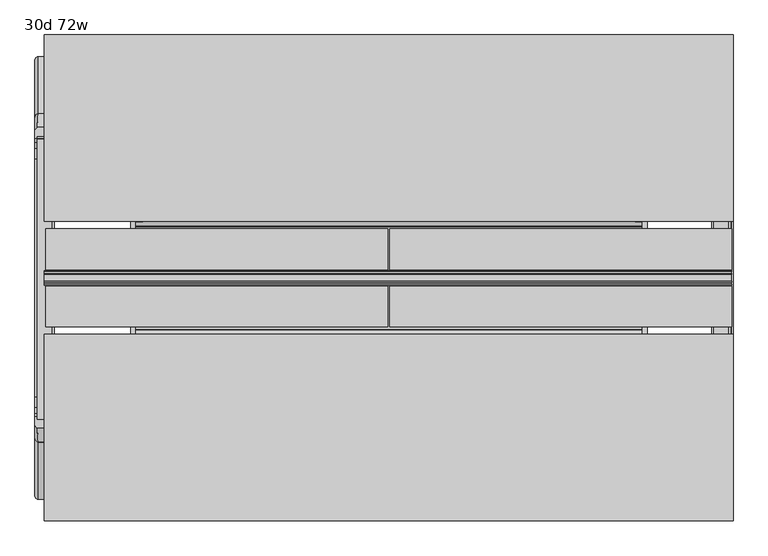
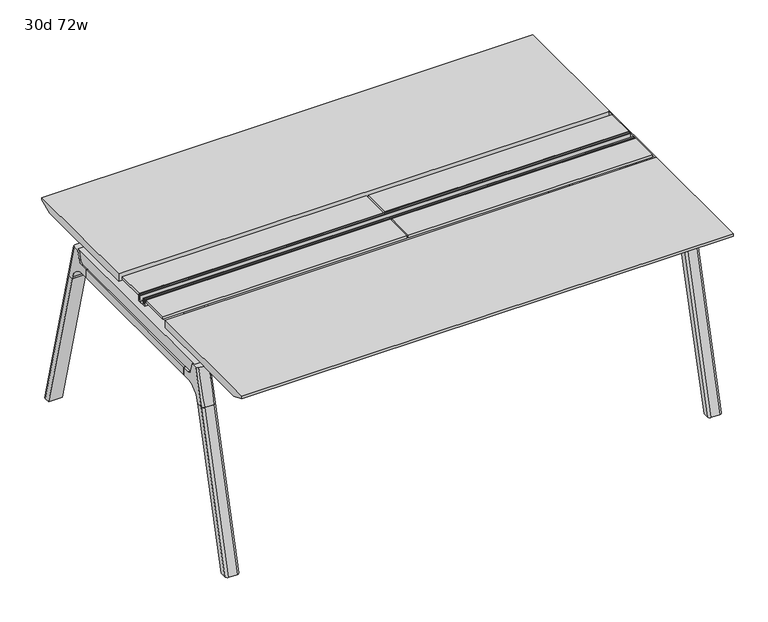
"""IFC4 building model written with IfcOpenShell, lengths in millimetres: furniture geometry, 30d 72w."""

import ifcopenshell
import ifcopenshell.guid

model = None  # the IFC model being written
_history = None  # IfcOwnerHistory: only IFC2X3 demands one
_inside = {}  # id of a spatial element -> (the spatial element, [elements in it])
_under = {}  # id of a project, library or spatial element -> (it, [spatial elements below it])
_declared = {}  # id of a project -> (the project, [libraries it declares])
_typed = {}  # id of a type object -> (the type object, [elements of that type])
_made_of = {}  # id of a material, layer set ... -> (it, [elements and type objects made of it])


def new_model(schema):
    """Start an empty IFC model of exactly this schema.

    Asked for "IFC4X3", IfcOpenShell would pick the latest addendum, in which some entities
    have other attributes; the version numbers below select the first issue.
    IFC2X3 requires an IfcOwnerHistory on every rooted entity: one is made here for all.
    """
    global model, _history
    if schema == "IFC4X3":
        model = ifcopenshell.file(schema_version=(4, 3, 0, 0))
    else:
        model = ifcopenshell.file(schema=schema)
    _inside.clear()
    _under.clear()
    _declared.clear()
    _typed.clear()
    _made_of.clear()
    _history = None
    if model.schema == "IFC2X3":
        org = make("IfcOrganization", Name="unknown")
        user = make(
            "IfcPersonAndOrganization",
            ThePerson=make("IfcPerson", FamilyName="unknown"),
            TheOrganization=org,
        )
        app = make(
            "IfcApplication",
            ApplicationDeveloper=org,
            Version="unknown",
            ApplicationFullName="unknown",
            ApplicationIdentifier="unknown",
        )
        _history = make(
            "IfcOwnerHistory",
            OwningUser=user,
            OwningApplication=app,
            ChangeAction="ADDED",
            CreationDate=0,
        )
    return model


def make(cls, **values):
    """One entity of the class cls with the attributes given. An attribute that is None is left unset."""
    return model.create_entity(
        cls, **{name: value for name, value in values.items() if value is not None}
    )


def rooted(cls, **values):
    """An entity with a GlobalId (a new one), such as an element, a storey or a relation."""
    return make(cls, GlobalId=ifcopenshell.guid.new(), OwnerHistory=_history, **values)


def si_unit(unit_type, name, prefix=None):
    """IfcSIUnit, for example si_unit("LENGTHUNIT", "METRE", prefix="MILLI")."""
    return make("IfcSIUnit", UnitType=unit_type, Prefix=prefix, Name=name)


def assignment(units):
    """IfcUnitAssignment: the units of a project."""
    return None if units is None else make("IfcUnitAssignment", Units=units)


def point(xyz):
    """IfcCartesianPoint."""
    return None if xyz is None else make("IfcCartesianPoint", Coordinates=xyz)


def direction(xyz):
    """IfcDirection."""
    return None if xyz is None else make("IfcDirection", DirectionRatios=xyz)


def frame(location, z_axis=None, x_axis=None):
    """IfcAxis2Placement3D, a coordinate frame: its origin and axes. An axis left out is left unset."""
    return make(
        "IfcAxis2Placement3D",
        Location=point(location),
        Axis=direction(z_axis),
        RefDirection=direction(x_axis),
    )


def frame_2d(location, x_axis=None):
    """IfcAxis2Placement2D, a coordinate frame in the plane: its origin and x axis."""
    return make(
        "IfcAxis2Placement2D", Location=point(location), RefDirection=direction(x_axis)
    )


def origin():
    """The frame at (0, 0, 0) with its axes left unset."""
    return frame((0.0, 0.0, 0.0))


def place(relative_to, where):
    """IfcLocalPlacement: puts the frame where relative to a parent placement (None: the world)."""
    return make(
        "IfcLocalPlacement", PlacementRelTo=relative_to, RelativePlacement=where
    )


def context(
    kind, dimensions, precision=None, world=None, true_north=None, identifier=None
):
    """IfcGeometricRepresentationContext, for example the 3D "Model" context."""
    return make(
        "IfcGeometricRepresentationContext",
        ContextIdentifier=identifier,
        ContextType=kind,
        CoordinateSpaceDimension=dimensions,
        Precision=precision,
        WorldCoordinateSystem=world,
        TrueNorth=true_north,
    )


def project(units=None, contexts=None):
    """IfcProject with its units and contexts."""
    return rooted(
        "IfcProject",
        Name="project",
        RepresentationContexts=contexts,
        UnitsInContext=assignment(units),
    )


def spatial(cls, under=None, at=None, **own):
    """A site, building, storey or space (cls), placed at a placement, below another one or the project."""
    s = rooted(cls, ObjectPlacement=at, **own)
    if under is not None:
        _under.setdefault(under.id(), (under, []))[1].append(s)
    return s


def polyline(points):
    """IfcPolyline through the points."""
    return make("IfcPolyline", Points=[point(p) for p in points])


def circle_curve(where, radius):
    """IfcCircle in the frame where."""
    return make("IfcCircle", Position=where, Radius=radius)


def ellipse_curve(where, semi_axis1, semi_axis2):
    """IfcEllipse in the frame where."""
    return make(
        "IfcEllipse", Position=where, SemiAxis1=semi_axis1, SemiAxis2=semi_axis2
    )


def trimmed(basis, trim1, trim2, sense, master):
    """IfcTrimmedCurve: the piece of a basis curve between two trims."""
    return make(
        "IfcTrimmedCurve",
        BasisCurve=basis,
        Trim1=trim1,
        Trim2=trim2,
        SenseAgreement=sense,
        MasterRepresentation=master,
    )


def segment(curve, same_sense, transition):
    """IfcCompositeCurveSegment."""
    return make(
        "IfcCompositeCurveSegment",
        Transition=transition,
        SameSense=same_sense,
        ParentCurve=curve,
    )


def composite_curve(segments, self_intersect=None):
    """IfcCompositeCurve: segments joined end to end."""
    return make("IfcCompositeCurve", Segments=segments, SelfIntersect=self_intersect)


def outline(outer, holes=None, kind="AREA"):
    """IfcArbitraryClosedProfileDef: a profile drawn as a closed curve; with holes, ...WithVoids."""
    if holes is None:
        return make("IfcArbitraryClosedProfileDef", ProfileType=kind, OuterCurve=outer)
    return make(
        "IfcArbitraryProfileDefWithVoids",
        ProfileType=kind,
        OuterCurve=outer,
        InnerCurves=holes,
    )


def extrude(swept, where, along, depth):
    """IfcExtrudedAreaSolid: the profile swept, set in the frame where, extruded along a direction by depth."""
    return make(
        "IfcExtrudedAreaSolid",
        SweptArea=swept,
        Position=where,
        ExtrudedDirection=direction(along),
        Depth=depth,
    )


def shape(context_of_items, identifier, shape_type, items):
    """IfcShapeRepresentation: the items that make up one representation, for example the "Body"."""
    return make(
        "IfcShapeRepresentation",
        ContextOfItems=context_of_items,
        RepresentationIdentifier=identifier,
        RepresentationType=shape_type,
        Items=items,
    )


def source(mapping_origin, context_of_items, identifier, shape_type, items):
    """IfcRepresentationMap: a shape defined once, which mapped items show again and again."""
    return make(
        "IfcRepresentationMap",
        MappingOrigin=mapping_origin,
        MappedRepresentation=shape(context_of_items, identifier, shape_type, items),
    )


def transform(
    local_origin,
    x_axis=None,
    y_axis=None,
    z_axis=None,
    scale=None,
    scale2=None,
    scale3=None,
    uniform=True,
):
    """IfcCartesianTransformationOperator3D, or its non-uniform kind. x_axis, y_axis, z_axis: its Axis1, 2, 3."""
    if uniform:
        return make(
            "IfcCartesianTransformationOperator3D",
            Axis1=direction(x_axis),
            Axis2=direction(y_axis),
            LocalOrigin=point(local_origin),
            Scale=scale,
            Axis3=direction(z_axis),
        )
    return make(
        "IfcCartesianTransformationOperator3DnonUniform",
        Axis1=direction(x_axis),
        Axis2=direction(y_axis),
        LocalOrigin=point(local_origin),
        Scale=scale,
        Axis3=direction(z_axis),
        Scale2=scale2,
        Scale3=scale3,
    )


def mapped(mapping_source, mapping_target):
    """IfcMappedItem: shows the shape of a source again, moved by a transform."""
    return make(
        "IfcMappedItem", MappingSource=mapping_source, MappingTarget=mapping_target
    )


def made_of(thing, what):
    """Note that an element or type object is made of a material, layer set ...; save() writes the relation."""
    if what is not None:
        _made_of.setdefault(what.id(), (what, []))[1].append(thing)
    return thing


def element(
    cls,
    number,
    at=None,
    inside=None,
    cuts=None,
    type_object=None,
    material=None,
    context=None,
    identifier="Body",
    shape_type=None,
    held_by="IfcProductDefinitionShape",
    body=None,
    shapes=None,
    **own,
):
    """One element of the class cls, such as IfcWall. Its Tag is "e" and its number.

    at: its placement. inside: the storey or other place that contains it. cuts: it is an
    opening in that element (IfcRelVoidsElement). A single representation is given by context,
    identifier, shape_type and body (its items); several are given by shapes. held_by: the class
    of the entity that holds the representations. save() writes the other relations.
    """
    e = rooted(cls, Tag="e%d" % number, ObjectPlacement=at, **own)
    if body is not None:
        shapes = [shape(context, identifier, shape_type, body)]
    if shapes is not None:
        e.Representation = make(held_by, Representations=shapes)
    if inside is not None:
        _inside.setdefault(inside.id(), (inside, []))[1].append(e)
    if cuts is not None:
        rooted(
            "IfcRelVoidsElement", RelatingBuildingElement=cuts, RelatedOpeningElement=e
        )
    if type_object is not None:
        _typed.setdefault(type_object.id(), (type_object, []))[1].append(e)
    return made_of(e, material)


def aggregate(whole, parts):
    """IfcRelAggregates: a whole, such as a stair, and the parts it consists of."""
    return rooted("IfcRelAggregates", RelatingObject=whole, RelatedObjects=parts)


def save(model, path):
    """Write the relations noted so far, then the file.

    IfcRelAggregates (storeys below a building ...), IfcRelContainedInSpatialStructure (elements
    in a storey), IfcRelDefinesByType, IfcRelAssociatesMaterial and IfcRelDeclares: one each for
    every whole, place, type object, material and project.
    """
    for whole, parts in _under.values():
        aggregate(whole, parts)
    for where, things in _inside.values():
        rooted(
            "IfcRelContainedInSpatialStructure",
            RelatedElements=things,
            RelatingStructure=where,
        )
    for kind, things in _typed.values():
        rooted("IfcRelDefinesByType", RelatedObjects=things, RelatingType=kind)
    for what, things in _made_of.values():
        rooted("IfcRelAssociatesMaterial", RelatedObjects=things, RelatingMaterial=what)
    for by, libraries in _declared.values():
        rooted("IfcRelDeclares", RelatingContext=by, RelatedDefinitions=libraries)
    model.write(path)


def plane_surface(at):
    """IfcPlane: the flat surface through the origin of the frame at, square to its z axis."""
    return make("IfcPlane", Position=at)


def cylinder_surface(at, radius):
    """IfcCylindricalSurface: all points at the distance radius from the z axis of the frame at."""
    return make("IfcCylindricalSurface", Position=at, Radius=radius)


def revolved_surface(curve, axis_point, axis_direction):
    """IfcSurfaceOfRevolution: the curve turned about the line through axis_point along axis_direction."""
    return make(
        "IfcSurfaceOfRevolution",
        SweptCurve=make("IfcArbitraryOpenProfileDef", ProfileType="CURVE", Curve=curve),
        AxisPosition=make("IfcAxis1Placement", Location=point(axis_point), Axis=direction(axis_direction)),
    )


def advanced_brep(points, edges, surfaces, faces):
    """IfcAdvancedBrep: a solid bounded by faces that lie on surfaces and meet in shared edges.

    An edge is (start, end): straight between two places in points (the first is 0);
    or (start, end, curve); or (start, end, curve, False) where it runs against its curve.
    A face is (place in surfaces, loops), or (place, loops, False) where it looks against
    its surface's normal. A loop lists edges by number (the first is 1), with a minus sign
    where the edge is run from its end to its start. The first loop is the outer one.
    """
    corners = [point(p) for p in points]
    vertices = [make("IfcVertexPoint", VertexGeometry=c) for c in corners]
    made = []
    for start, end, *more in edges:
        made.append(
            make(
                "IfcEdgeCurve",
                EdgeStart=vertices[start],
                EdgeEnd=vertices[end],
                EdgeGeometry=more[0] if more else make("IfcPolyline", Points=[corners[start], corners[end]]),
                SameSense=more[1] if len(more) > 1 else True,
            )
        )
    hull = []
    for where, loops, *sense in faces:
        bounds = []
        for j, loop in enumerate(loops):
            ring = [make("IfcOrientedEdge", EdgeElement=made[abs(k) - 1], Orientation=k > 0) for k in loop]
            bounds.append(
                make(
                    "IfcFaceOuterBound" if j == 0 else "IfcFaceBound",
                    Bound=make("IfcEdgeLoop", EdgeList=ring),
                    Orientation=True,
                )
            )
        hull.append(make("IfcAdvancedFace", Bounds=bounds, FaceSurface=surfaces[where], SameSense=sense[0] if sense else True))
    return make("IfcAdvancedBrep", Outer=make("IfcClosedShell", CfsFaces=hull))


def furniture_30d_72w_e3182f1c(model_context):
    return source(origin(), model_context, "Body", "SolidModel", [
        extrude(outline(polyline([(-348.9784469, 559.4636683), (-364.040663, 627.7843353), (-35.4662901, 627.7843353), (-50.5285062, 559.4636683), (-46.7502281, 557.2647146), (-46.7502281, 549.3667827), (-62.6252238, 521.8704736), (-336.8817293, 521.8704736), (-352.756725, 549.3667827), (-352.756725, 557.2647146), (-348.9784469, 559.4636683)])), frame((889.0, 0.0, 0.0), z_axis=(1.0, 0.0, 0.0), x_axis=(0.0, 1.0, 0.0)), (0.0, 0.0, 1.0), 12.7),
        extrude(outline(polyline([(-348.9784469, 559.4636683), (-364.040663, 627.7843353), (-35.4662901, 627.7843353), (-50.5285062, 559.4636683), (-46.7502281, 557.2647146), (-46.7502281, 549.3667827), (-62.6252238, 521.8704736), (-336.8817293, 521.8704736), (-352.756725, 549.3667827), (-352.756725, 557.2647146), (-348.9784469, 559.4636683)])), frame((-469.9, 0.0, 0.0), z_axis=(1.0, 0.0, 0.0), x_axis=(0.0, 1.0, 0.0)), (0.0, 0.0, 1.0), 12.7),
        extrude(outline(polyline([(-18.0090763, 698.5), (3.7767266, 698.5), (3.7767266, 697.2935087), (-17.4495292, 697.2935087), (-19.0070753, 695.7359626), (-49.1186716, 559.1528512), (-50.5285062, 559.4636683), (-20.404074, 696.1050023), (-18.0090763, 698.5)])), frame((-469.9, 0.0, 0.0), z_axis=(1.0, 0.0, 0.0), x_axis=(0.0, 1.0, 0.0)), (0.0, 0.0, 1.0), 31.8008024),
        extrude(outline(polyline([(-381.4978768, 698.5), (-379.1028791, 696.1050023), (-348.9784469, 559.4636683), (-350.3882815, 559.1528512), (-380.4998778, 695.7359626), (-382.0574239, 697.2935087), (-403.2836797, 697.2935087), (-403.2836797, 698.5), (-381.4978768, 698.5)])), frame((-469.9, 0.0, 0.0), z_axis=(1.0, 0.0, 0.0), x_axis=(0.0, 1.0, 0.0)), (0.0, 0.0, 1.0), 31.8008024),
        extrude(outline(polyline([(-18.0090763, 698.5), (3.7767266, 698.5), (3.7767266, 697.2935087), (-17.4495292, 697.2935087), (-19.0070753, 695.7359626), (-49.1186716, 559.1528512), (-50.5285062, 559.4636683), (-20.404074, 696.1050023), (-18.0090763, 698.5)])), frame((869.8991976, 0.0, 0.0), z_axis=(1.0, 0.0, 0.0), x_axis=(0.0, 1.0, 0.0)), (0.0, 0.0, 1.0), 31.8008024),
        extrude(outline(polyline([(-381.4978768, 698.5), (-379.1028791, 696.1050023), (-348.9784469, 559.4636683), (-350.3882815, 559.1528512), (-380.4998778, 695.7359626), (-382.0574239, 697.2935087), (-403.2836797, 697.2935087), (-403.2836797, 698.5), (-381.4978768, 698.5)])), frame((869.8991976, 0.0, 0.0), z_axis=(1.0, 0.0, 0.0), x_axis=(0.0, 1.0, 0.0)), (0.0, 0.0, 1.0), 31.8008024),
        extrude(outline(polyline([(-353.550475, 557.5934966), (-351.518477, 559.6254947), (-350.957211, 559.0642287), (-352.756725, 557.2647146), (-352.756725, 549.3667827), (-352.5317745, 548.5272622), (-337.4390802, 522.3859395), (-336.0037101, 521.5572272), (-63.503243, 521.5572272), (-62.0678729, 522.3859395), (-46.9751786, 548.5272622), (-46.7502281, 549.3667827), (-46.7502281, 557.2647146), (-48.5497421, 559.0642287), (-47.9884761, 559.6254947), (-45.9564781, 557.5934966), (-45.9564781, 549.2622828), (-46.2355217, 548.2208856), (-61.4868074, 521.8048744), (-63.2905581, 520.7634772), (-336.216395, 520.7634772), (-338.0201457, 521.8048744), (-353.2714314, 548.2208856), (-353.550475, 549.2622828), (-353.550475, 557.5934966)])), frame((-469.8492037, 0.0, 0.0), z_axis=(1.0, 0.0, 0.0), x_axis=(0.0, 1.0, 0.0)), (0.0, 0.0, 1.0), 1371.5492037),
        extrude(outline(polyline([(-218.8034766, 715.9625), (-218.8034766, 741.3625), (-217.2159766, 741.3625), (-217.2159766, 720.725), (-210.8659766, 720.725), (-210.8659766, 741.3625), (-209.2784766, 741.3625), (-209.2784766, 717.55), (-190.2284766, 717.55), (-190.2284766, 741.3625), (-188.6409766, 741.3625), (-188.6409766, 720.725), (-182.2909766, 720.725), (-182.2909766, 741.3625), (-180.7034766, 741.3625), (-180.7034766, 715.9625), (-218.8034766, 715.9625)])), frame((-698.5, 0.0, 0.0), z_axis=(1.0, 0.0, 0.0), x_axis=(0.0, 1.0, 0.0)), (0.0, 0.0, 1.0), 1825.625),
        extrude(outline(composite_curve([segment(polyline([(175.6902734, 711.2), (166.6321726, 677.3947076)]), True, "CONTINUOUS"), segment(trimmed(circle_curve(frame_2d((151.2981001, 681.5034599)), 15.875), [point((166.6321726, 677.3947076))], [point((151.2981001, 665.6284599))], False, "CARTESIAN"), True, "CONTINUOUS"), segment(polyline([(151.2981001, 665.6284599), (-550.8050533, 665.6284599)]), True, "CONTINUOUS"), segment(trimmed(circle_curve(frame_2d((-550.8050533, 681.5034599)), 15.875), [point((-550.8050533, 665.6284599))], [point((-566.1391258, 677.3947076))], False, "CARTESIAN"), True, "CONTINUOUS"), segment(polyline([(-566.1391258, 677.3947076), (-575.1972266, 711.2), (175.6902734, 711.2)]), True, "CONTINUOUS")], self_intersect=False)), frame((1079.5, 0.0, 0.0), z_axis=(1.0, 0.0, 0.0), x_axis=(0.0, 1.0, 0.0)), (0.0, 0.0, 1.0), 38.1),
        extrude(outline(polyline([(1123.95, 115.3652734), (1123.95, -514.8722266), (1073.15, -514.8722266), (1073.15, 115.3652734), (1123.95, 115.3652734)])), frame((0.0, 0.0, 635.6476591), z_axis=(0.0, 0.0, 1.0), x_axis=(1.0, 0.0, 0.0)), (0.0, 0.0, 1.0), 29.9808008),
        extrude(outline(composite_curve([segment(polyline([(175.6902734, 711.2), (166.6321726, 677.3947076)]), True, "CONTINUOUS"), segment(trimmed(circle_curve(frame_2d((151.2981001, 681.5034599)), 15.875), [point((166.6321726, 677.3947076))], [point((151.2981001, 665.6284599))], False, "CARTESIAN"), True, "CONTINUOUS"), segment(polyline([(151.2981001, 665.6284599), (-550.8050533, 665.6284599)]), True, "CONTINUOUS"), segment(trimmed(circle_curve(frame_2d((-550.8050533, 681.5034599)), 15.875), [point((-550.8050533, 665.6284599))], [point((-566.1391258, 677.3947076))], False, "CARTESIAN"), True, "CONTINUOUS"), segment(polyline([(-566.1391258, 677.3947076), (-575.1972266, 711.2), (175.6902734, 711.2)]), True, "CONTINUOUS")], self_intersect=False)), frame((-717.55, 0.0, 0.0), z_axis=(1.0, 0.0, 0.0), x_axis=(0.0, 1.0, 0.0)), (0.0, 0.0, 1.0), 38.1),
        extrude(outline(polyline([(-673.1, 115.3652734), (-673.1, -514.8722266), (-723.9, -514.8722266), (-723.9, 115.3652734), (-673.1, 115.3652734)])), frame((0.0, 0.0, 635.6476591), z_axis=(0.0, 0.0, 1.0), x_axis=(1.0, 0.0, 0.0)), (0.0, 0.0, 1.0), 29.9808008),
        advanced_brep(
        [(1073.15, -568.8935553, 711.2), (1073.15, -559.8354545, 677.3947076), (1073.15, -544.501382, 665.6284599), (1073.15, -514.8722266, 665.6284599), (1073.15, -514.8722266, 635.6476591), (1073.15, -537.7434588, 635.6476591), (1073.15, -602.1465633, 586.2294189), (1073.15, -604.7047754, 576.6820411), (1073.15, -625.8087453, 576.6820411), (1073.15, -590.3601017, 711.2), (1123.95, -604.7047754, 576.6820411), (1123.95, -602.1465633, 586.2294189), (1123.95, -537.7434588, 635.6476591), (1123.95, -514.8722266, 635.6476591), (1123.95, -514.8722266, 665.6284599), (1123.95, -544.501382, 665.6284599), (1123.95, -559.8354545, 677.3947076), (1123.95, -568.8935553, 711.2), (1123.95, -590.3601017, 711.2), (1123.95, -625.8087453, 576.6820411), (1079.4138162, -599.6149462, 711.2), (1117.6861838, -599.6149462, 711.2), (1114.425, -635.6589247, 576.6820411), (1082.675, -635.6589247, 576.6820411)],
        [
            (0, 1),
            (1, 2, circle_curve(frame((1073.15, -544.501382, 681.5034599), z_axis=(1.0, 0.0, 0.0), x_axis=(0.0, -1.0, 0.0)), 15.875)),
            (2, 3),
            (3, 4),
            (4, 5),
            (5, 6, circle_curve(frame((1073.15, -537.7434588, 568.9726591), z_axis=(1.0, 0.0, 0.0), x_axis=(0.0, -1.0, 0.0)), 66.675)),
            (6, 7),
            (7, 8),
            (8, 9),
            (9, 0),
            (10, 11),
            (11, 12, circle_curve(frame((1123.95, -537.7434588, 568.9726591), z_axis=(-1.0, 0.0, 0.0), x_axis=(0.0, -1.0, 0.0)), 66.675)),
            (12, 13),
            (13, 14),
            (14, 15),
            (15, 16, circle_curve(frame((1123.95, -544.501382, 681.5034599), z_axis=(-1.0, 0.0, 0.0), x_axis=(0.0, -1.0, 0.0)), 15.875)),
            (16, 17),
            (17, 18),
            (18, 19),
            (19, 10),
            (17, 0),
            (9, 20, ellipse_curve(frame((1082.675, -590.3601017, 711.2), z_axis=(0.0, 0.0, 1.0), x_axis=(0.0, -1.0, 0.0)), 9.8501793, 9.525)),
            (20, 21),
            (21, 18, ellipse_curve(frame((1114.425, -590.3601017, 711.2), z_axis=(0.0, 0.0, 1.0), x_axis=(0.0, -1.0, 0.0)), 9.8501793, 9.525)),
            (16, 1),
            (15, 2),
            (14, 3),
            (13, 4),
            (12, 5),
            (11, 6),
            (10, 7),
            (19, 22, ellipse_curve(frame((1114.425, -625.8087453, 576.6820411), z_axis=(0.0, 0.0, -1.0), x_axis=(0.0, -1.0, 0.0)), 9.8501793, 9.525)),
            (22, 23),
            (23, 8, ellipse_curve(frame((1082.675, -625.8087453, 576.6820411), z_axis=(0.0, 0.0, -1.0), x_axis=(0.0, -1.0, 0.0)), 9.8501793, 9.525)),
            (20, 23, ellipse_curve(frame((1082.675, -39.2892106, 2802.3641142), z_axis=(0.0, -0.9659258262890684, 0.2588190451025206), x_axis=(0.0, -0.2588190451025206, -0.9659258262890684)), 2304.1956354, 9.525)),
            (22, 21, ellipse_curve(frame((1114.425, -39.2892106, 2802.3641142), z_axis=(0.0, -0.9659258262890684, 0.2588190451025206), x_axis=(0.0, -0.2588190451025206, -0.9659258262890684)), 2304.1956354, 9.525)),
        ],
        [
            plane_surface(frame((1073.15, -599.6149462, 711.2), z_axis=(-1.0, 0.0, 0.0), x_axis=(0.0, 1.0, 0.0))),
            plane_surface(frame((1123.95, -599.6149462, 711.2), z_axis=(1.0, 0.0, 0.0), x_axis=(0.0, -1.0, 0.0))),
            plane_surface(frame((1073.15, -599.6149462, 711.2), z_axis=(0.0, 0.0, 1.0), x_axis=(1.0, 0.0, 0.0))),
            plane_surface(frame((1073.15, -568.8935553, 711.2), z_axis=(0.0, 0.9659258262890683, 0.2588190451025207), x_axis=(1.0, 0.0, 0.0))),
            revolved_surface(polyline([(1123.95, -560.376382, 681.5034599), (1073.15, -560.376382, 681.5034599)]), (1123.95, -544.501382, 681.5034599), (1.0, 0.0, 0.0)),
            plane_surface(frame((1073.15, -544.501382, 665.6284599), z_axis=(0.0, 0.0, 1.0), x_axis=(1.0, 0.0, 0.0))),
            plane_surface(frame((1073.15, -514.8722266, 665.6284599), z_axis=(0.0, 1.0, 0.0), x_axis=(1.0, 0.0, 0.0))),
            plane_surface(frame((1073.15, -514.8722266, 635.6476591), z_axis=(0.0, 0.0, -1.0), x_axis=(1.0, 0.0, 0.0))),
            revolved_surface(polyline([(1123.95, -604.4184587999999, 568.9726591), (1073.15, -604.4184587999999, 568.9726591)]), (1123.95, -537.7434588, 568.9726591), (1.0, 0.0, 0.0)),
            plane_surface(frame((1073.15, -602.1465633, 586.2294189), z_axis=(0.0, 0.9659258262890693, -0.25881904510251696), x_axis=(1.0, 0.0, 0.0))),
            plane_surface(frame((1073.15, -604.7047754, 576.6820411), z_axis=(0.0, 0.0, -1.0), x_axis=(1.0, 0.0, 0.0))),
            plane_surface(frame((1073.15, -635.6589247, 576.6820411), z_axis=(0.0, -0.9659258262890684, 0.2588190451025206), x_axis=(1.0, 0.0, 0.0))),
            cylinder_surface(frame((1082.675, -778.4176402, -2.4271979), z_axis=(0.0, -0.25482392474081483, -0.966987470125486), x_axis=(1.0, 0.0, 0.0)), 9.525),
            cylinder_surface(frame((1114.425, -778.4176402, -2.4271979), z_axis=(0.0, -0.25482392474081483, -0.966987470125486), x_axis=(1.0, 0.0, 0.0)), 9.525),
        ],
        [
            (0, [[1, 2, 3, 4, 5, 6, 7, 8, 9, 10]]),
            (1, [[11, 12, 13, 14, 15, 16, 17, 18, 19, 20]]),
            (2, [[21, -10, 22, 23, 24, -18]]),
            (3, [[-1, -21, -17, 25]]),
            (4, [[-2, -25, -16, 26]]),
            (5, [[-3, -26, -15, 27]]),
            (6, [[-4, -27, -14, 28]]),
            (7, [[-5, -28, -13, 29]]),
            (8, [[-6, -29, -12, 30]]),
            (9, [[-7, -30, -11, 31]]),
            (10, [[-31, -20, 32, 33, 34, -8]]),
            (11, [[-23, 35, -33, 36]]),
            (12, [[-9, -34, -35, -22]]),
            (13, [[-19, -24, -36, -32]]),
        ],
    ),
        advanced_brep(
        [(1073.15, -604.7047754, 576.6820411), (1073.15, -756.6740466, 0.0), (1073.15, -777.7780165, 0.0), (1073.15, -625.8087453, 576.6820411), (1123.95, -756.6740466, 0.0), (1123.95, -604.7047754, 576.6820411), (1123.95, -625.8087453, 576.6820411), (1123.95, -777.7780165, 0.0), (1082.675, -635.6589247, 576.6820411), (1114.425, -635.6589247, 576.6820411), (1114.425, -787.6281958, 0.0), (1082.675, -787.6281958, 0.0)],
        [
            (0, 1),
            (1, 2),
            (2, 3),
            (3, 0),
            (4, 5),
            (5, 6),
            (6, 7),
            (7, 4),
            (5, 0),
            (3, 8, ellipse_curve(frame((1082.675, -625.8087453, 576.6820411), z_axis=(0.0, 0.0, 1.0), x_axis=(0.0, -1.0, 0.0)), 9.8501793, 9.525)),
            (8, 9),
            (9, 6, ellipse_curve(frame((1114.425, -625.8087453, 576.6820411), z_axis=(0.0, 0.0, 1.0), x_axis=(0.0, -1.0, 0.0)), 9.8501793, 9.525)),
            (4, 1),
            (7, 10, ellipse_curve(frame((1114.425, -777.7780165, 0.0), z_axis=(0.0, 0.0, -1.0), x_axis=(0.0, -1.0, 0.0)), 9.8501793, 9.525)),
            (10, 11),
            (11, 2, ellipse_curve(frame((1082.675, -777.7780165, 0.0), z_axis=(0.0, 0.0, -1.0), x_axis=(0.0, -1.0, 0.0)), 9.8501793, 9.525)),
            (8, 11),
            (10, 9),
        ],
        [
            plane_surface(frame((1073.15, -635.6589247, 576.6820411), z_axis=(-1.0, 0.0, 0.0), x_axis=(0.0, 1.0, 0.0))),
            plane_surface(frame((1123.95, -635.6589247, 576.6820411), z_axis=(1.0, 0.0, 0.0), x_axis=(0.0, -1.0, 0.0))),
            plane_surface(frame((1073.15, -635.6589247, 576.6820411), z_axis=(0.0, 0.0, 1.0), x_axis=(1.0, 0.0, 0.0))),
            plane_surface(frame((1073.15, -604.7047754, 576.6820411), z_axis=(0.0, 0.9669874701254844, -0.2548239247408208), x_axis=(1.0, 0.0, 0.0))),
            plane_surface(frame((1073.15, -756.6740466, 0.0), z_axis=(0.0, 0.0, -1.0), x_axis=(1.0, 0.0, 0.0))),
            plane_surface(frame((1073.15, -787.6281958, 0.0), z_axis=(0.0, -0.9669874701254855, 0.2548239247408166), x_axis=(1.0, 0.0, 0.0))),
            cylinder_surface(frame((1082.675, -778.4176402, -2.4271979), z_axis=(0.0, -0.25482392474081483, -0.966987470125486), x_axis=(1.0, 0.0, 0.0)), 9.525),
            cylinder_surface(frame((1114.425, -778.4176402, -2.4271979), z_axis=(0.0, -0.25482392474081483, -0.966987470125486), x_axis=(1.0, 0.0, 0.0)), 9.525),
        ],
        [
            (0, [[1, 2, 3, 4]]),
            (1, [[5, 6, 7, 8]]),
            (2, [[9, -4, 10, 11, 12, -6]]),
            (3, [[-1, -9, -5, 13]]),
            (4, [[-13, -8, 14, 15, 16, -2]]),
            (5, [[-11, 17, -15, 18]]),
            (6, [[-3, -16, -17, -10]]),
            (7, [[-7, -12, -18, -14]]),
        ],
    ),
        advanced_brep(
        [(1123.95, 169.3866022, 711.2), (1123.95, 160.3285014, 677.3947076), (1123.95, 144.9944289, 665.6284599), (1123.95, 115.3652734, 665.6284599), (1123.95, 115.3652734, 635.6476591), (1123.95, 138.2365057, 635.6476591), (1123.95, 202.6396101, 586.2294189), (1123.95, 205.1978223, 576.6820411), (1123.95, 226.3017922, 576.6820411), (1123.95, 190.8531486, 711.2), (1073.15, 205.1978223, 576.6820411), (1073.15, 202.6396101, 586.2294189), (1073.15, 138.2365057, 635.6476591), (1073.15, 115.3652734, 635.6476591), (1073.15, 115.3652734, 665.6284599), (1073.15, 144.9944289, 665.6284599), (1073.15, 160.3285014, 677.3947076), (1073.15, 169.3866022, 711.2), (1073.15, 190.8531486, 711.2), (1073.15, 226.3017922, 576.6820411), (1117.6861838, 200.1079931, 711.2), (1079.4138162, 200.1079931, 711.2), (1082.675, 236.1519716, 576.6820411), (1114.425, 236.1519716, 576.6820411)],
        [
            (0, 1),
            (1, 2, circle_curve(frame((1123.95, 144.9944289, 681.5034599), z_axis=(-1.0, 0.0, 0.0), x_axis=(0.0, 1.0, 0.0)), 15.875)),
            (2, 3),
            (3, 4),
            (4, 5),
            (5, 6, circle_curve(frame((1123.95, 138.2365057, 568.9726591), z_axis=(-1.0, 0.0, 0.0), x_axis=(0.0, 1.0, 0.0)), 66.675)),
            (6, 7),
            (7, 8),
            (8, 9),
            (9, 0),
            (10, 11),
            (11, 12, circle_curve(frame((1073.15, 138.2365057, 568.9726591), z_axis=(1.0, 0.0, 0.0), x_axis=(0.0, 1.0, 0.0)), 66.675)),
            (12, 13),
            (13, 14),
            (14, 15),
            (15, 16, circle_curve(frame((1073.15, 144.9944289, 681.5034599), z_axis=(1.0, 0.0, 0.0), x_axis=(0.0, 1.0, 0.0)), 15.875)),
            (16, 17),
            (17, 18),
            (18, 19),
            (19, 10),
            (17, 0),
            (9, 20, ellipse_curve(frame((1114.425, 190.8531486, 711.2), z_axis=(0.0, 0.0, 1.0), x_axis=(0.0, 1.0, 0.0)), 9.8501793, 9.525)),
            (20, 21),
            (21, 18, ellipse_curve(frame((1082.675, 190.8531486, 711.2), z_axis=(0.0, 0.0, 1.0), x_axis=(0.0, 1.0, 0.0)), 9.8501793, 9.525)),
            (16, 1),
            (15, 2),
            (14, 3),
            (13, 4),
            (12, 5),
            (11, 6),
            (10, 7),
            (19, 22, ellipse_curve(frame((1082.675, 226.3017922, 576.6820411), z_axis=(0.0, 0.0, -1.0), x_axis=(0.0, 1.0, 0.0)), 9.8501793, 9.525)),
            (22, 23),
            (23, 8, ellipse_curve(frame((1114.425, 226.3017922, 576.6820411), z_axis=(0.0, 0.0, -1.0), x_axis=(0.0, 1.0, 0.0)), 9.8501793, 9.525)),
            (20, 23, ellipse_curve(frame((1114.425, -360.2177425, 2802.3641142), z_axis=(0.0, 0.9659258262890684, 0.2588190451025206), x_axis=(0.0, 0.2588190451025206, -0.9659258262890684)), 2304.1956354, 9.525)),
            (22, 21, ellipse_curve(frame((1082.675, -360.2177425, 2802.3641142), z_axis=(0.0, 0.9659258262890684, 0.2588190451025206), x_axis=(0.0, 0.2588190451025206, -0.9659258262890684)), 2304.1956354, 9.525)),
        ],
        [
            plane_surface(frame((1123.95, 200.1079931, 711.2), z_axis=(1.0, 0.0, 0.0), x_axis=(0.0, -1.0, 0.0))),
            plane_surface(frame((1073.15, 200.1079931, 711.2), z_axis=(-1.0, 0.0, 0.0), x_axis=(0.0, 1.0, 0.0))),
            plane_surface(frame((1123.95, 200.1079931, 711.2), z_axis=(0.0, 0.0, 1.0), x_axis=(-1.0, 0.0, 0.0))),
            plane_surface(frame((1123.95, 169.3866022, 711.2), z_axis=(0.0, -0.9659258262890683, 0.2588190451025207), x_axis=(-1.0, 0.0, 0.0))),
            revolved_surface(polyline([(1073.15, 160.8694289, 681.5034599), (1123.95, 160.8694289, 681.5034599)]), (1073.15, 144.9944289, 681.5034599), (-1.0, 0.0, 0.0)),
            plane_surface(frame((1123.95, 144.9944289, 665.6284599), z_axis=(0.0, 0.0, 1.0), x_axis=(-1.0, 0.0, 0.0))),
            plane_surface(frame((1123.95, 115.3652734, 665.6284599), z_axis=(0.0, -1.0, 0.0), x_axis=(-1.0, 0.0, 0.0))),
            plane_surface(frame((1123.95, 115.3652734, 635.6476591), z_axis=(0.0, 0.0, -1.0), x_axis=(-1.0, 0.0, 0.0))),
            revolved_surface(polyline([(1073.15, 204.91150570000002, 568.9726591), (1123.95, 204.91150570000002, 568.9726591)]), (1073.15, 138.2365057, 568.9726591), (-1.0, 0.0, 0.0)),
            plane_surface(frame((1123.95, 202.6396101, 586.2294189), z_axis=(0.0, -0.9659258262890693, -0.25881904510251696), x_axis=(-1.0, 0.0, 0.0))),
            plane_surface(frame((1123.95, 205.1978223, 576.6820411), z_axis=(0.0, 0.0, -1.0), x_axis=(-1.0, 0.0, 0.0))),
            plane_surface(frame((1123.95, 236.1519716, 576.6820411), z_axis=(0.0, 0.9659258262890684, 0.2588190451025206), x_axis=(-1.0, 0.0, 0.0))),
            cylinder_surface(frame((1114.425, 378.9106871, -2.4271979), z_axis=(0.0, 0.25482392474081483, -0.966987470125486), x_axis=(-1.0, 0.0, 0.0)), 9.525),
            cylinder_surface(frame((1082.675, 378.9106871, -2.4271979), z_axis=(0.0, 0.25482392474081483, -0.966987470125486), x_axis=(-1.0, 0.0, 0.0)), 9.525),
        ],
        [
            (0, [[1, 2, 3, 4, 5, 6, 7, 8, 9, 10]]),
            (1, [[11, 12, 13, 14, 15, 16, 17, 18, 19, 20]]),
            (2, [[21, -10, 22, 23, 24, -18]]),
            (3, [[-1, -21, -17, 25]]),
            (4, [[-2, -25, -16, 26]]),
            (5, [[-3, -26, -15, 27]]),
            (6, [[-4, -27, -14, 28]]),
            (7, [[-5, -28, -13, 29]]),
            (8, [[-6, -29, -12, 30]]),
            (9, [[-7, -30, -11, 31]]),
            (10, [[-31, -20, 32, 33, 34, -8]]),
            (11, [[-23, 35, -33, 36]]),
            (12, [[-9, -34, -35, -22]]),
            (13, [[-19, -24, -36, -32]]),
        ],
    ),
        advanced_brep(
        [(1123.95, 205.1978223, 576.6820411), (1123.95, 357.1670935, 0.0), (1123.95, 378.2710634, 0.0), (1123.95, 226.3017922, 576.6820411), (1073.15, 357.1670935, 0.0), (1073.15, 205.1978223, 576.6820411), (1073.15, 226.3017922, 576.6820411), (1073.15, 378.2710634, 0.0), (1114.425, 236.1519716, 576.6820411), (1082.675, 236.1519716, 576.6820411), (1082.675, 388.1212427, 0.0), (1114.425, 388.1212427, 0.0)],
        [
            (0, 1),
            (1, 2),
            (2, 3),
            (3, 0),
            (4, 5),
            (5, 6),
            (6, 7),
            (7, 4),
            (5, 0),
            (3, 8, ellipse_curve(frame((1114.425, 226.3017922, 576.6820411), z_axis=(0.0, 0.0, 1.0), x_axis=(0.0, 1.0, 0.0)), 9.8501793, 9.525)),
            (8, 9),
            (9, 6, ellipse_curve(frame((1082.675, 226.3017922, 576.6820411), z_axis=(0.0, 0.0, 1.0), x_axis=(0.0, 1.0, 0.0)), 9.8501793, 9.525)),
            (4, 1),
            (7, 10, ellipse_curve(frame((1082.675, 378.2710634, 0.0), z_axis=(0.0, 0.0, -1.0), x_axis=(0.0, 1.0, 0.0)), 9.8501793, 9.525)),
            (10, 11),
            (11, 2, ellipse_curve(frame((1114.425, 378.2710634, 0.0), z_axis=(0.0, 0.0, -1.0), x_axis=(0.0, 1.0, 0.0)), 9.8501793, 9.525)),
            (8, 11),
            (10, 9),
        ],
        [
            plane_surface(frame((1123.95, 236.1519716, 576.6820411), z_axis=(1.0, 0.0, 0.0), x_axis=(0.0, -1.0, 0.0))),
            plane_surface(frame((1073.15, 236.1519716, 576.6820411), z_axis=(-1.0, 0.0, 0.0), x_axis=(0.0, 1.0, 0.0))),
            plane_surface(frame((1123.95, 236.1519716, 576.6820411), z_axis=(0.0, 0.0, 1.0), x_axis=(-1.0, 0.0, 0.0))),
            plane_surface(frame((1123.95, 205.1978223, 576.6820411), z_axis=(0.0, -0.9669874701254844, -0.2548239247408208), x_axis=(-1.0, 0.0, 0.0))),
            plane_surface(frame((1123.95, 357.1670935, 0.0), z_axis=(0.0, 0.0, -1.0), x_axis=(-1.0, 0.0, 0.0))),
            plane_surface(frame((1123.95, 388.1212427, 0.0), z_axis=(0.0, 0.9669874701254855, 0.2548239247408166), x_axis=(-1.0, 0.0, 0.0))),
            cylinder_surface(frame((1114.425, 378.9106871, -2.4271979), z_axis=(0.0, 0.25482392474081483, -0.966987470125486), x_axis=(-1.0, 0.0, 0.0)), 9.525),
            cylinder_surface(frame((1082.675, 378.9106871, -2.4271979), z_axis=(0.0, 0.25482392474081483, -0.966987470125486), x_axis=(-1.0, 0.0, 0.0)), 9.525),
        ],
        [
            (0, [[1, 2, 3, 4]]),
            (1, [[5, 6, 7, 8]]),
            (2, [[9, -4, 10, 11, 12, -6]]),
            (3, [[-1, -9, -5, 13]]),
            (4, [[-13, -8, 14, 15, 16, -2]]),
            (5, [[-11, 17, -15, 18]]),
            (6, [[-3, -16, -17, -10]]),
            (7, [[-7, -12, -18, -14]]),
        ],
    ),
        advanced_brep(
        [(-673.1, 169.3866022, 711.2), (-673.1, 160.3285014, 677.3947076), (-673.1, 144.9944289, 665.6284599), (-673.1, 115.3652734, 665.6284599), (-673.1, 115.3652734, 635.6476591), (-673.1, 138.2365057, 635.6476591), (-673.1, 202.6396101, 586.2294189), (-673.1, 205.1978223, 576.6820411), (-673.1, 226.3017922, 576.6820411), (-673.1, 190.8531486, 711.2), (-723.9, 205.1978223, 576.6820411), (-723.9, 202.6396101, 586.2294189), (-723.9, 138.2365057, 635.6476591), (-723.9, 115.3652734, 635.6476591), (-723.9, 115.3652734, 665.6284599), (-723.9, 144.9944289, 665.6284599), (-723.9, 160.3285014, 677.3947076), (-723.9, 169.3866022, 711.2), (-723.9, 190.8531486, 711.2), (-723.9, 226.3017922, 576.6820411), (-679.3638162, 200.1079931, 711.2), (-717.6361838, 200.1079931, 711.2), (-714.375, 236.1519716, 576.6820411), (-682.625, 236.1519716, 576.6820411)],
        [
            (0, 1),
            (1, 2, circle_curve(frame((-673.1, 144.9944289, 681.5034599), z_axis=(-1.0, 0.0, 0.0), x_axis=(0.0, 1.0, 0.0)), 15.875)),
            (2, 3),
            (3, 4),
            (4, 5),
            (5, 6, circle_curve(frame((-673.1, 138.2365057, 568.9726591), z_axis=(-1.0, 0.0, 0.0), x_axis=(0.0, 1.0, 0.0)), 66.675)),
            (6, 7),
            (7, 8),
            (8, 9),
            (9, 0),
            (10, 11),
            (11, 12, circle_curve(frame((-723.9, 138.2365057, 568.9726591), z_axis=(1.0, 0.0, 0.0), x_axis=(0.0, 1.0, 0.0)), 66.675)),
            (12, 13),
            (13, 14),
            (14, 15),
            (15, 16, circle_curve(frame((-723.9, 144.9944289, 681.5034599), z_axis=(1.0, 0.0, 0.0), x_axis=(0.0, 1.0, 0.0)), 15.875)),
            (16, 17),
            (17, 18),
            (18, 19),
            (19, 10),
            (17, 0),
            (9, 20, ellipse_curve(frame((-682.625, 190.8531486, 711.2), z_axis=(0.0, 0.0, 1.0), x_axis=(0.0, 1.0, 0.0)), 9.8501793, 9.525)),
            (20, 21),
            (21, 18, ellipse_curve(frame((-714.375, 190.8531486, 711.2), z_axis=(0.0, 0.0, 1.0), x_axis=(0.0, 1.0, 0.0)), 9.8501793, 9.525)),
            (16, 1),
            (15, 2),
            (14, 3),
            (13, 4),
            (12, 5),
            (11, 6),
            (10, 7),
            (19, 22, ellipse_curve(frame((-714.375, 226.3017922, 576.6820411), z_axis=(0.0, 0.0, -1.0), x_axis=(0.0, 1.0, 0.0)), 9.8501793, 9.525)),
            (22, 23),
            (23, 8, ellipse_curve(frame((-682.625, 226.3017922, 576.6820411), z_axis=(0.0, 0.0, -1.0), x_axis=(0.0, 1.0, 0.0)), 9.8501793, 9.525)),
            (20, 23, ellipse_curve(frame((-682.625, -360.2177425, 2802.3641142), z_axis=(0.0, 0.9659258262890684, 0.2588190451025206), x_axis=(0.0, 0.2588190451025206, -0.9659258262890684)), 2304.1956354, 9.525)),
            (22, 21, ellipse_curve(frame((-714.375, -360.2177425, 2802.3641142), z_axis=(0.0, 0.9659258262890684, 0.2588190451025206), x_axis=(0.0, 0.2588190451025206, -0.9659258262890684)), 2304.1956354, 9.525)),
        ],
        [
            plane_surface(frame((-673.1, 200.1079931, 711.2), z_axis=(1.0, 0.0, 0.0), x_axis=(0.0, -1.0, 0.0))),
            plane_surface(frame((-723.9, 200.1079931, 711.2), z_axis=(-1.0, 0.0, 0.0), x_axis=(0.0, 1.0, 0.0))),
            plane_surface(frame((-673.1, 200.1079931, 711.2), z_axis=(0.0, 0.0, 1.0), x_axis=(-1.0, 0.0, 0.0))),
            plane_surface(frame((-673.1, 169.3866022, 711.2), z_axis=(0.0, -0.9659258262890683, 0.2588190451025207), x_axis=(-1.0, 0.0, 0.0))),
            revolved_surface(polyline([(-723.9, 160.8694289, 681.5034599), (-673.1, 160.8694289, 681.5034599)]), (-723.9, 144.9944289, 681.5034599), (-1.0, 0.0, 0.0)),
            plane_surface(frame((-673.1, 144.9944289, 665.6284599), z_axis=(0.0, 0.0, 1.0), x_axis=(-1.0, 0.0, 0.0))),
            plane_surface(frame((-673.1, 115.3652734, 665.6284599), z_axis=(0.0, -1.0, 0.0), x_axis=(-1.0, 0.0, 0.0))),
            plane_surface(frame((-673.1, 115.3652734, 635.6476591), z_axis=(0.0, 0.0, -1.0), x_axis=(-1.0, 0.0, 0.0))),
            revolved_surface(polyline([(-723.9, 204.91150570000002, 568.9726591), (-673.1, 204.91150570000002, 568.9726591)]), (-723.9, 138.2365057, 568.9726591), (-1.0, 0.0, 0.0)),
            plane_surface(frame((-673.1, 202.6396101, 586.2294189), z_axis=(0.0, -0.9659258262890693, -0.25881904510251696), x_axis=(-1.0, 0.0, 0.0))),
            plane_surface(frame((-673.1, 205.1978223, 576.6820411), z_axis=(0.0, 0.0, -1.0), x_axis=(-1.0, 0.0, 0.0))),
            plane_surface(frame((-673.1, 236.1519716, 576.6820411), z_axis=(0.0, 0.9659258262890684, 0.2588190451025206), x_axis=(-1.0, 0.0, 0.0))),
            cylinder_surface(frame((-682.625, 378.9106871, -2.4271979), z_axis=(0.0, 0.25482392474081483, -0.966987470125486), x_axis=(-1.0, 0.0, 0.0)), 9.525),
            cylinder_surface(frame((-714.375, 378.9106871, -2.4271979), z_axis=(0.0, 0.25482392474081483, -0.966987470125486), x_axis=(-1.0, 0.0, 0.0)), 9.525),
        ],
        [
            (0, [[1, 2, 3, 4, 5, 6, 7, 8, 9, 10]]),
            (1, [[11, 12, 13, 14, 15, 16, 17, 18, 19, 20]]),
            (2, [[21, -10, 22, 23, 24, -18]]),
            (3, [[-1, -21, -17, 25]]),
            (4, [[-2, -25, -16, 26]]),
            (5, [[-3, -26, -15, 27]]),
            (6, [[-4, -27, -14, 28]]),
            (7, [[-5, -28, -13, 29]]),
            (8, [[-6, -29, -12, 30]]),
            (9, [[-7, -30, -11, 31]]),
            (10, [[-31, -20, 32, 33, 34, -8]]),
            (11, [[-23, 35, -33, 36]]),
            (12, [[-9, -34, -35, -22]]),
            (13, [[-19, -24, -36, -32]]),
        ],
    ),
        advanced_brep(
        [(-673.1, 205.1978223, 576.6820411), (-673.1, 357.1670935, 0.0), (-673.1, 378.2710634, 0.0), (-673.1, 226.3017922, 576.6820411), (-723.9, 357.1670935, 0.0), (-723.9, 205.1978223, 576.6820411), (-723.9, 226.3017922, 576.6820411), (-723.9, 378.2710634, 0.0), (-682.625, 236.1519716, 576.6820411), (-714.375, 236.1519716, 576.6820411), (-714.375, 388.1212427, 0.0), (-682.625, 388.1212427, 0.0)],
        [
            (0, 1),
            (1, 2),
            (2, 3),
            (3, 0),
            (4, 5),
            (5, 6),
            (6, 7),
            (7, 4),
            (5, 0),
            (3, 8, ellipse_curve(frame((-682.625, 226.3017922, 576.6820411), z_axis=(0.0, 0.0, 1.0), x_axis=(0.0, 1.0, 0.0)), 9.8501793, 9.525)),
            (8, 9),
            (9, 6, ellipse_curve(frame((-714.375, 226.3017922, 576.6820411), z_axis=(0.0, 0.0, 1.0), x_axis=(0.0, 1.0, 0.0)), 9.8501793, 9.525)),
            (4, 1),
            (7, 10, ellipse_curve(frame((-714.375, 378.2710634, 0.0), z_axis=(0.0, 0.0, -1.0), x_axis=(0.0, 1.0, 0.0)), 9.8501793, 9.525)),
            (10, 11),
            (11, 2, ellipse_curve(frame((-682.625, 378.2710634, 0.0), z_axis=(0.0, 0.0, -1.0), x_axis=(0.0, 1.0, 0.0)), 9.8501793, 9.525)),
            (8, 11),
            (10, 9),
        ],
        [
            plane_surface(frame((-673.1, 236.1519716, 576.6820411), z_axis=(1.0, 0.0, 0.0), x_axis=(0.0, -1.0, 0.0))),
            plane_surface(frame((-723.9, 236.1519716, 576.6820411), z_axis=(-1.0, 0.0, 0.0), x_axis=(0.0, 1.0, 0.0))),
            plane_surface(frame((-673.1, 236.1519716, 576.6820411), z_axis=(0.0, 0.0, 1.0), x_axis=(-1.0, 0.0, 0.0))),
            plane_surface(frame((-673.1, 205.1978223, 576.6820411), z_axis=(0.0, -0.9669874701254844, -0.2548239247408208), x_axis=(-1.0, 0.0, 0.0))),
            plane_surface(frame((-673.1, 357.1670935, 0.0), z_axis=(0.0, 0.0, -1.0), x_axis=(-1.0, 0.0, 0.0))),
            plane_surface(frame((-673.1, 388.1212427, 0.0), z_axis=(0.0, 0.9669874701254855, 0.2548239247408166), x_axis=(-1.0, 0.0, 0.0))),
            cylinder_surface(frame((-682.625, 378.9106871, -2.4271979), z_axis=(0.0, 0.25482392474081483, -0.966987470125486), x_axis=(-1.0, 0.0, 0.0)), 9.525),
            cylinder_surface(frame((-714.375, 378.9106871, -2.4271979), z_axis=(0.0, 0.25482392474081483, -0.966987470125486), x_axis=(-1.0, 0.0, 0.0)), 9.525),
        ],
        [
            (0, [[1, 2, 3, 4]]),
            (1, [[5, 6, 7, 8]]),
            (2, [[9, -4, 10, 11, 12, -6]]),
            (3, [[-1, -9, -5, 13]]),
            (4, [[-13, -8, 14, 15, 16, -2]]),
            (5, [[-11, 17, -15, 18]]),
            (6, [[-3, -16, -17, -10]]),
            (7, [[-7, -12, -18, -14]]),
        ],
    ),
        advanced_brep(
        [(-723.9, -568.8935553, 711.2), (-723.9, -559.8354545, 677.3947076), (-723.9, -544.501382, 665.6284599), (-723.9, -514.8722266, 665.6284599), (-723.9, -514.8722266, 635.6476591), (-723.9, -537.7434588, 635.6476591), (-723.9, -602.1465633, 586.2294189), (-723.9, -604.7047754, 576.6820411), (-723.9, -625.8087453, 576.6820411), (-723.9, -590.3601017, 711.2), (-673.1, -604.7047754, 576.6820411), (-673.1, -602.1465633, 586.2294189), (-673.1, -537.7434588, 635.6476591), (-673.1, -514.8722266, 635.6476591), (-673.1, -514.8722266, 665.6284599), (-673.1, -544.501382, 665.6284599), (-673.1, -559.8354545, 677.3947076), (-673.1, -568.8935553, 711.2), (-673.1, -590.3601017, 711.2), (-673.1, -625.8087453, 576.6820411), (-717.6361838, -599.6149462, 711.2), (-679.3638162, -599.6149462, 711.2), (-682.625, -635.6589247, 576.6820411), (-714.375, -635.6589247, 576.6820411)],
        [
            (0, 1),
            (1, 2, circle_curve(frame((-723.9, -544.501382, 681.5034599), z_axis=(1.0, 0.0, 0.0), x_axis=(0.0, -1.0, 0.0)), 15.875)),
            (2, 3),
            (3, 4),
            (4, 5),
            (5, 6, circle_curve(frame((-723.9, -537.7434588, 568.9726591), z_axis=(1.0, 0.0, 0.0), x_axis=(0.0, -1.0, 0.0)), 66.675)),
            (6, 7),
            (7, 8),
            (8, 9),
            (9, 0),
            (10, 11),
            (11, 12, circle_curve(frame((-673.1, -537.7434588, 568.9726591), z_axis=(-1.0, 0.0, 0.0), x_axis=(0.0, -1.0, 0.0)), 66.675)),
            (12, 13),
            (13, 14),
            (14, 15),
            (15, 16, circle_curve(frame((-673.1, -544.501382, 681.5034599), z_axis=(-1.0, 0.0, 0.0), x_axis=(0.0, -1.0, 0.0)), 15.875)),
            (16, 17),
            (17, 18),
            (18, 19),
            (19, 10),
            (17, 0),
            (9, 20, ellipse_curve(frame((-714.375, -590.3601017, 711.2), z_axis=(0.0, 0.0, 1.0), x_axis=(0.0, -1.0, 0.0)), 9.8501793, 9.525)),
            (20, 21),
            (21, 18, ellipse_curve(frame((-682.625, -590.3601017, 711.2), z_axis=(0.0, 0.0, 1.0), x_axis=(0.0, -1.0, 0.0)), 9.8501793, 9.525)),
            (16, 1),
            (15, 2),
            (14, 3),
            (13, 4),
            (12, 5),
            (11, 6),
            (10, 7),
            (19, 22, ellipse_curve(frame((-682.625, -625.8087453, 576.6820411), z_axis=(0.0, 0.0, -1.0), x_axis=(0.0, -1.0, 0.0)), 9.8501793, 9.525)),
            (22, 23),
            (23, 8, ellipse_curve(frame((-714.375, -625.8087453, 576.6820411), z_axis=(0.0, 0.0, -1.0), x_axis=(0.0, -1.0, 0.0)), 9.8501793, 9.525)),
            (20, 23, ellipse_curve(frame((-714.375, -39.2892106, 2802.3641142), z_axis=(0.0, -0.9659258262890684, 0.2588190451025206), x_axis=(0.0, -0.2588190451025206, -0.9659258262890684)), 2304.1956354, 9.525)),
            (22, 21, ellipse_curve(frame((-682.625, -39.2892106, 2802.3641142), z_axis=(0.0, -0.9659258262890684, 0.2588190451025206), x_axis=(0.0, -0.2588190451025206, -0.9659258262890684)), 2304.1956354, 9.525)),
        ],
        [
            plane_surface(frame((-723.9, -599.6149462, 711.2), z_axis=(-1.0, 0.0, 0.0), x_axis=(0.0, 1.0, 0.0))),
            plane_surface(frame((-673.1, -599.6149462, 711.2), z_axis=(1.0, 0.0, 0.0), x_axis=(0.0, -1.0, 0.0))),
            plane_surface(frame((-723.9, -599.6149462, 711.2), z_axis=(0.0, 0.0, 1.0), x_axis=(1.0, 0.0, 0.0))),
            plane_surface(frame((-723.9, -568.8935553, 711.2), z_axis=(0.0, 0.9659258262890683, 0.2588190451025207), x_axis=(1.0, 0.0, 0.0))),
            revolved_surface(polyline([(-673.1, -560.376382, 681.5034599), (-723.9, -560.376382, 681.5034599)]), (-673.1, -544.501382, 681.5034599), (1.0, 0.0, 0.0)),
            plane_surface(frame((-723.9, -544.501382, 665.6284599), z_axis=(0.0, 0.0, 1.0), x_axis=(1.0, 0.0, 0.0))),
            plane_surface(frame((-723.9, -514.8722266, 665.6284599), z_axis=(0.0, 1.0, 0.0), x_axis=(1.0, 0.0, 0.0))),
            plane_surface(frame((-723.9, -514.8722266, 635.6476591), z_axis=(0.0, 0.0, -1.0), x_axis=(1.0, 0.0, 0.0))),
            revolved_surface(polyline([(-673.1, -604.4184587999999, 568.9726591), (-723.9, -604.4184587999999, 568.9726591)]), (-673.1, -537.7434588, 568.9726591), (1.0, 0.0, 0.0)),
            plane_surface(frame((-723.9, -602.1465633, 586.2294189), z_axis=(0.0, 0.9659258262890693, -0.25881904510251696), x_axis=(1.0, 0.0, 0.0))),
            plane_surface(frame((-723.9, -604.7047754, 576.6820411), z_axis=(0.0, 0.0, -1.0), x_axis=(1.0, 0.0, 0.0))),
            plane_surface(frame((-723.9, -635.6589247, 576.6820411), z_axis=(0.0, -0.9659258262890684, 0.2588190451025206), x_axis=(1.0, 0.0, 0.0))),
            cylinder_surface(frame((-714.375, -778.4176402, -2.4271979), z_axis=(0.0, -0.25482392474081483, -0.966987470125486), x_axis=(1.0, 0.0, 0.0)), 9.525),
            cylinder_surface(frame((-682.625, -778.4176402, -2.4271979), z_axis=(0.0, -0.25482392474081483, -0.966987470125486), x_axis=(1.0, 0.0, 0.0)), 9.525),
        ],
        [
            (0, [[1, 2, 3, 4, 5, 6, 7, 8, 9, 10]]),
            (1, [[11, 12, 13, 14, 15, 16, 17, 18, 19, 20]]),
            (2, [[21, -10, 22, 23, 24, -18]]),
            (3, [[-1, -21, -17, 25]]),
            (4, [[-2, -25, -16, 26]]),
            (5, [[-3, -26, -15, 27]]),
            (6, [[-4, -27, -14, 28]]),
            (7, [[-5, -28, -13, 29]]),
            (8, [[-6, -29, -12, 30]]),
            (9, [[-7, -30, -11, 31]]),
            (10, [[-31, -20, 32, 33, 34, -8]]),
            (11, [[-23, 35, -33, 36]]),
            (12, [[-9, -34, -35, -22]]),
            (13, [[-19, -24, -36, -32]]),
        ],
    ),
        advanced_brep(
        [(-723.9, -604.7047754, 576.6820411), (-723.9, -756.6740466, 0.0), (-723.9, -777.7780165, 0.0), (-723.9, -625.8087453, 576.6820411), (-673.1, -756.6740466, 0.0), (-673.1, -604.7047754, 576.6820411), (-673.1, -625.8087453, 576.6820411), (-673.1, -777.7780165, 0.0), (-714.375, -635.6589247, 576.6820411), (-682.625, -635.6589247, 576.6820411), (-682.625, -787.6281958, 0.0), (-714.375, -787.6281958, 0.0)],
        [
            (0, 1),
            (1, 2),
            (2, 3),
            (3, 0),
            (4, 5),
            (5, 6),
            (6, 7),
            (7, 4),
            (5, 0),
            (3, 8, ellipse_curve(frame((-714.375, -625.8087453, 576.6820411), z_axis=(0.0, 0.0, 1.0), x_axis=(0.0, -1.0, 0.0)), 9.8501793, 9.525)),
            (8, 9),
            (9, 6, ellipse_curve(frame((-682.625, -625.8087453, 576.6820411), z_axis=(0.0, 0.0, 1.0), x_axis=(0.0, -1.0, 0.0)), 9.8501793, 9.525)),
            (4, 1),
            (7, 10, ellipse_curve(frame((-682.625, -777.7780165, 0.0), z_axis=(0.0, 0.0, -1.0), x_axis=(0.0, -1.0, 0.0)), 9.8501793, 9.525)),
            (10, 11),
            (11, 2, ellipse_curve(frame((-714.375, -777.7780165, 0.0), z_axis=(0.0, 0.0, -1.0), x_axis=(0.0, -1.0, 0.0)), 9.8501793, 9.525)),
            (8, 11),
            (10, 9),
        ],
        [
            plane_surface(frame((-723.9, -635.6589247, 576.6820411), z_axis=(-1.0, 0.0, 0.0), x_axis=(0.0, 1.0, 0.0))),
            plane_surface(frame((-673.1, -635.6589247, 576.6820411), z_axis=(1.0, 0.0, 0.0), x_axis=(0.0, -1.0, 0.0))),
            plane_surface(frame((-723.9, -635.6589247, 576.6820411), z_axis=(0.0, 0.0, 1.0), x_axis=(1.0, 0.0, 0.0))),
            plane_surface(frame((-723.9, -604.7047754, 576.6820411), z_axis=(0.0, 0.9669874701254844, -0.2548239247408208), x_axis=(1.0, 0.0, 0.0))),
            plane_surface(frame((-723.9, -756.6740466, 0.0), z_axis=(0.0, 0.0, -1.0), x_axis=(1.0, 0.0, 0.0))),
            plane_surface(frame((-723.9, -787.6281958, 0.0), z_axis=(0.0, -0.9669874701254855, 0.2548239247408166), x_axis=(1.0, 0.0, 0.0))),
            cylinder_surface(frame((-714.375, -778.4176402, -2.4271979), z_axis=(0.0, -0.25482392474081483, -0.966987470125486), x_axis=(1.0, 0.0, 0.0)), 9.525),
            cylinder_surface(frame((-682.625, -778.4176402, -2.4271979), z_axis=(0.0, -0.25482392474081483, -0.966987470125486), x_axis=(1.0, 0.0, 0.0)), 9.525),
        ],
        [
            (0, [[1, 2, 3, 4]]),
            (1, [[5, 6, 7, 8]]),
            (2, [[9, -4, 10, 11, 12, -6]]),
            (3, [[-1, -9, -5, 13]]),
            (4, [[-13, -8, 14, 15, 16, -2]]),
            (5, [[-11, 17, -15, 18]]),
            (6, [[-3, -16, -17, -10]]),
            (7, [[-7, -12, -18, -14]]),
        ],
    ),
        extrude(outline(polyline([(-49.7347266, 741.3625), (445.5652734, 741.3625), (445.5652734, 731.8375), (394.7652734, 711.2), (-49.7347266, 711.2), (-49.7347266, 741.3625)])), frame((-698.5, 0.0, 0.0), z_axis=(1.0, 0.0, 0.0), x_axis=(0.0, 1.0, 0.0)), (0.0, 0.0, 1.0), 1828.8),
        extrude(outline(polyline([(-845.0722266, 741.3625), (-349.7722266, 741.3625), (-349.7722266, 711.2), (-794.2722266, 711.2), (-845.0722266, 731.8375), (-845.0722266, 741.3625)])), frame((-698.5, 0.0, 0.0), z_axis=(1.0, 0.0, 0.0), x_axis=(0.0, 1.0, 0.0)), (0.0, 0.0, 1.0), 1828.8),
        extrude(outline(polyline([(212.725, -69.5784766), (212.725, -177.5284766), (-695.325, -177.5284766), (-695.325, -69.5784766), (212.725, -69.5784766)])), frame((0.0, 0.0, 731.8375), z_axis=(0.0, 0.0, 1.0), x_axis=(1.0, 0.0, 0.0)), (0.0, 0.0, 1.0), 9.525),
        extrude(outline(polyline([(212.725, -221.9784766), (212.725, -329.9284766), (-695.325, -329.9284766), (-695.325, -221.9784766), (212.725, -221.9784766)])), frame((0.0, 0.0, 731.8375), z_axis=(0.0, 0.0, 1.0), x_axis=(1.0, 0.0, 0.0)), (0.0, 0.0, 1.0), 9.525),
        extrude(outline(polyline([(1127.125, -69.5784766), (1127.125, -177.5284766), (219.075, -177.5284766), (219.075, -69.5784766), (1127.125, -69.5784766)])), frame((0.0, 0.0, 731.8375), z_axis=(0.0, 0.0, 1.0), x_axis=(1.0, 0.0, 0.0)), (0.0, 0.0, 1.0), 9.525),
        extrude(outline(polyline([(1127.125, -221.9784766), (1127.125, -329.9284766), (219.075, -329.9284766), (219.075, -221.9784766), (1127.125, -221.9784766)])), frame((0.0, 0.0, 731.8375), z_axis=(0.0, 0.0, 1.0), x_axis=(1.0, 0.0, 0.0)), (0.0, 0.0, 1.0), 9.525),
        extrude(outline(polyline([(1073.15, 9.7965234), (1073.15, -21.9534766), (-673.1, -21.9534766), (-673.1, 9.7965234), (1073.15, 9.7965234)])), frame((0.0, 0.0, 646.1125), z_axis=(0.0, 0.0, 1.0), x_axis=(1.0, 0.0, 0.0)), (0.0, 0.0, 1.0), 50.8),
        extrude(outline(polyline([(1073.15, -377.5534766), (1073.15, -409.3034766), (-673.1, -409.3034766), (-673.1, -377.5534766), (1073.15, -377.5534766)])), frame((0.0, 0.0, 646.1125), z_axis=(0.0, 0.0, 1.0), x_axis=(1.0, 0.0, 0.0)), (0.0, 0.0, 1.0), 50.8),
        extrude(outline(polyline([(1130.3, -49.7347266), (1130.3, -349.7722266), (1127.125, -349.7722266), (1127.125, -49.7347266), (1130.3, -49.7347266)])), frame((0.0, 0.0, 711.2), z_axis=(0.0, 0.0, 1.0), x_axis=(1.0, 0.0, 0.0)), (0.0, 0.0, 1.0), 30.1625),
    ])


if __name__ == "__main__":
    model = new_model("IFC4")
    model_context = context("Model", 3, world=origin())
    ifc_project = project(units=[si_unit("LENGTHUNIT", "METRE", prefix="MILLI")], contexts=[model_context])
    site = spatial("IfcSite", under=ifc_project)
    building = spatial("IfcBuilding", under=site)
    placement = place(None, origin())
    furniture_30d_72w_shape = furniture_30d_72w_e3182f1c(model_context)
    element("IfcFurniture", 1, ObjectType="30d 72w", at=placement, inside=building, context=model_context, shape_type="MappedRepresentation", body=[
        mapped(furniture_30d_72w_shape, transform((0.0, 0.0, 0.0), x_axis=(1.0, 0.0, 0.0), y_axis=(0.0, 1.0, 0.0), z_axis=(0.0, 0.0, 1.0))),
    ])
    save(model, "model.ifc")
